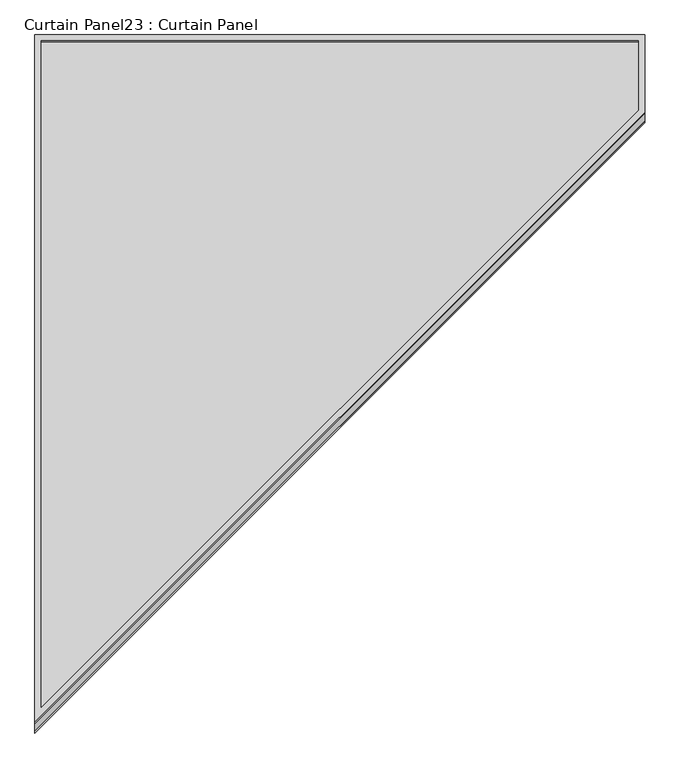
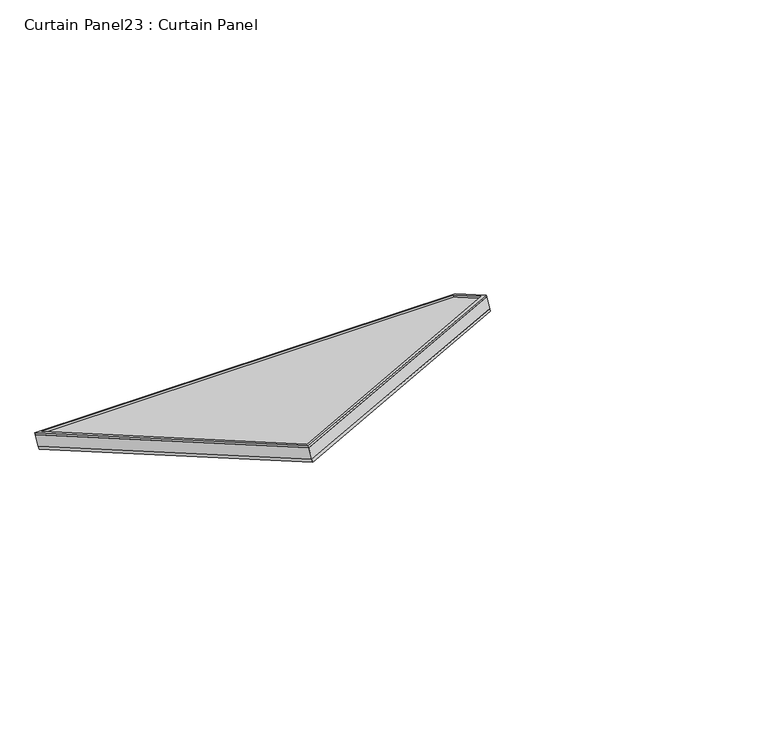
"""IFC4 building model written with IfcOpenShell, lengths in millimetres: plate geometry, Curtain Panel23 : Curtain Panel."""

from ifc_helpers import new_model, si_unit, frame, origin, place, context, project, spatial, polyline, outline, extrude, source, transform, mapped, element, save


def curtain_panel23_curtain_panel_0e8e8916(model_context):
    return source(origin(), model_context, "Body", "SweptSolid", [
        extrude(outline(polyline([(1540.3277361, -12.7), (-12.7, -12.7), (-12.7, 1181.1), (161.8462334, 1181.1), (1540.3277361, -12.7)]), holes=[polyline([(157.1113598, 1168.4), (0.0, 1168.4), (0.0, 0.0), (1506.2634688, 0.0), (157.1113598, 1168.4)])]), frame((-8308.9692107, 9898.3501945, 1292.2934586), z_axis=(0.0, 0.5000000000000001, 0.8660254037844386), x_axis=(0.0, -0.8660254037844386, 0.5000000000000001)), (0.0, 0.0, 1.0), 4.7753694),
        extrude(outline(polyline([(1540.3277361, -12.7), (-12.7, -12.7), (-12.7, 1181.1), (161.8462334, 1181.1), (1540.3277361, -12.7)]), holes=[polyline([(157.1113598, 1168.4), (0.0, 1168.4), (0.0, 0.0), (1506.2634688, 0.0), (157.1113598, 1168.4)])]), frame((-8308.9692107, 9879.9098792, 1260.3538956), z_axis=(0.0, 0.49999999999999967, 0.8660254037844389), x_axis=(0.0, -0.8660254037844389, 0.49999999999999967)), (0.0, 0.0, 1.0), 6.7181306),
        extrude(outline(polyline([(12.7, 0.0), (1206.5, 0.0), (1206.5, -174.5462333), (12.7, -1553.027736), (12.7, 0.0)])), frame((-8334.3692107, 9894.2674671, 1259.8219674), z_axis=(0.0, 0.49999999999999867, 0.8660254037844395), x_axis=(1.0, 0.0, 0.0)), (0.0, 0.0, 1.0), 30.1625),
    ])


if __name__ == "__main__":
    model = new_model("IFC4")
    model_context = context("Model", 3, world=origin())
    ifc_project = project(units=[si_unit("LENGTHUNIT", "METRE", prefix="MILLI")], contexts=[model_context])
    site = spatial("IfcSite", under=ifc_project)
    building = spatial("IfcBuilding", under=site)
    placement = place(None, origin())
    curtain_panel23_curtain_panel_shape = curtain_panel23_curtain_panel_0e8e8916(model_context)
    element("IfcPlate", 1, ObjectType="Curtain Panel23 : Curtain Panel", at=placement, inside=building, context=model_context, shape_type="MappedRepresentation", body=[
        mapped(curtain_panel23_curtain_panel_shape, transform((0.0, 0.0, 0.0), x_axis=(1.0, 0.0, 0.0), y_axis=(0.0, 1.0, 0.0), z_axis=(0.0, 0.0, 1.0))),
    ])
    save(model, "model.ifc")
